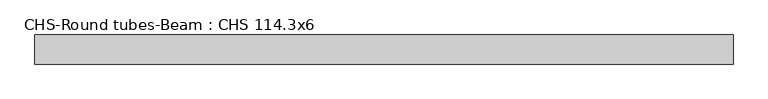
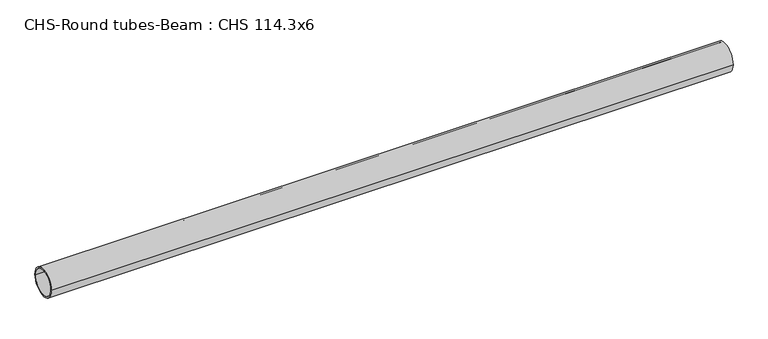
"""IFC4 building model written with IfcOpenShell, lengths in millimetres: beam geometry, CHS-Round tubes-Beam : CHS 114.3x6."""

from ifc_helpers import new_model, si_unit, point, frame, origin, origin_2d, place, context, project, spatial, circle_curve, trimmed, segment, composite_curve, outline, extrude, source, transform, mapped, element, save


def chs_round_tubes_beam_chs_114_3x6_3a4fbcda(model_context):
    return source(origin(), model_context, "Body", "SweptSolid", [
        extrude(outline(composite_curve([segment(trimmed(circle_curve(origin_2d(), 57.15), [point((57.15, 0.0))], [point((-57.15, 0.0))], False, "CARTESIAN"), True, "CONTINUOUS"), segment(trimmed(circle_curve(origin_2d(), 57.15), [point((-57.15, 0.0))], [point((57.15, 0.0))], False, "CARTESIAN"), True, "CONTINUOUS")], self_intersect=False), holes=[composite_curve([segment(trimmed(circle_curve(origin_2d(), 51.15), [point((51.15, 0.0))], [point((-51.15, 0.0))], True, "CARTESIAN"), True, "CONTINUOUS"), segment(trimmed(circle_curve(origin_2d(), 51.15), [point((-51.15, 0.0))], [point((51.15, 0.0))], True, "CARTESIAN"), True, "CONTINUOUS")], self_intersect=False)]), frame((-1322.2984238, 0.0, 0.0), z_axis=(1.0, 0.0, 0.0), x_axis=(0.0, 1.0, 0.0)), (0.0, 0.0, 1.0), 2738.9307925),
    ])


if __name__ == "__main__":
    model = new_model("IFC4")
    model_context = context("Model", 3, world=origin())
    ifc_project = project(units=[si_unit("LENGTHUNIT", "METRE", prefix="MILLI")], contexts=[model_context])
    site = spatial("IfcSite", under=ifc_project)
    building = spatial("IfcBuilding", under=site)
    placement = place(None, origin())
    chs_round_tubes_beam_chs_114_3x6_shape = chs_round_tubes_beam_chs_114_3x6_3a4fbcda(model_context)
    element("IfcBeam", 1, ObjectType="CHS-Round tubes-Beam : CHS 114.3x6", at=placement, inside=building, context=model_context, shape_type="MappedRepresentation", body=[
        mapped(chs_round_tubes_beam_chs_114_3x6_shape, transform((0.0, 0.0, 0.0), x_axis=(1.0, 0.0, 0.0), y_axis=(0.0, 1.0, 0.0), z_axis=(0.0, 0.0, 1.0))),
    ])
    save(model, "model.ifc")
